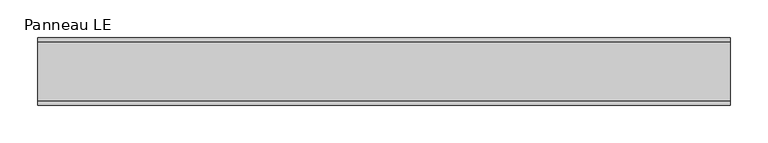
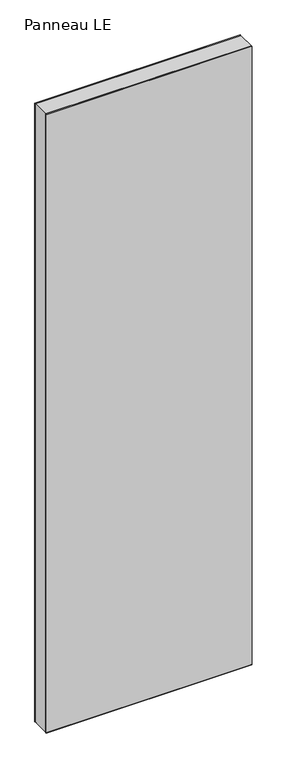
"""IFC4 building model written with IfcOpenShell, lengths in millimetres: plate geometry, Panneau LE."""

import ifcopenshell
import ifcopenshell.guid

model = None  # the IFC model being written
_history = None  # IfcOwnerHistory: only IFC2X3 demands one
_inside = {}  # id of a spatial element -> (the spatial element, [elements in it])
_under = {}  # id of a project, library or spatial element -> (it, [spatial elements below it])
_declared = {}  # id of a project -> (the project, [libraries it declares])
_typed = {}  # id of a type object -> (the type object, [elements of that type])
_made_of = {}  # id of a material, layer set ... -> (it, [elements and type objects made of it])


def new_model(schema):
    """Start an empty IFC model of exactly this schema.

    Asked for "IFC4X3", IfcOpenShell would pick the latest addendum, in which some entities
    have other attributes; the version numbers below select the first issue.
    IFC2X3 requires an IfcOwnerHistory on every rooted entity: one is made here for all.
    """
    global model, _history
    if schema == "IFC4X3":
        model = ifcopenshell.file(schema_version=(4, 3, 0, 0))
    else:
        model = ifcopenshell.file(schema=schema)
    _inside.clear()
    _under.clear()
    _declared.clear()
    _typed.clear()
    _made_of.clear()
    _history = None
    if model.schema == "IFC2X3":
        org = make("IfcOrganization", Name="unknown")
        user = make(
            "IfcPersonAndOrganization",
            ThePerson=make("IfcPerson", FamilyName="unknown"),
            TheOrganization=org,
        )
        app = make(
            "IfcApplication",
            ApplicationDeveloper=org,
            Version="unknown",
            ApplicationFullName="unknown",
            ApplicationIdentifier="unknown",
        )
        _history = make(
            "IfcOwnerHistory",
            OwningUser=user,
            OwningApplication=app,
            ChangeAction="ADDED",
            CreationDate=0,
        )
    return model


def make(cls, **values):
    """One entity of the class cls with the attributes given. An attribute that is None is left unset."""
    return model.create_entity(
        cls, **{name: value for name, value in values.items() if value is not None}
    )


def rooted(cls, **values):
    """An entity with a GlobalId (a new one), such as an element, a storey or a relation."""
    return make(cls, GlobalId=ifcopenshell.guid.new(), OwnerHistory=_history, **values)


def si_unit(unit_type, name, prefix=None):
    """IfcSIUnit, for example si_unit("LENGTHUNIT", "METRE", prefix="MILLI")."""
    return make("IfcSIUnit", UnitType=unit_type, Prefix=prefix, Name=name)


def assignment(units):
    """IfcUnitAssignment: the units of a project."""
    return None if units is None else make("IfcUnitAssignment", Units=units)


def point(xyz):
    """IfcCartesianPoint."""
    return None if xyz is None else make("IfcCartesianPoint", Coordinates=xyz)


def direction(xyz):
    """IfcDirection."""
    return None if xyz is None else make("IfcDirection", DirectionRatios=xyz)


def frame(location, z_axis=None, x_axis=None):
    """IfcAxis2Placement3D, a coordinate frame: its origin and axes. An axis left out is left unset."""
    return make(
        "IfcAxis2Placement3D",
        Location=point(location),
        Axis=direction(z_axis),
        RefDirection=direction(x_axis),
    )


def origin():
    """The frame at (0, 0, 0) with its axes left unset."""
    return frame((0.0, 0.0, 0.0))


def origin_with_axes():
    """The frame at (0, 0, 0) with the z axis (0, 0, 1) and the x axis (1, 0, 0) written out."""
    return frame((0.0, 0.0, 0.0), z_axis=(0.0, 0.0, 1.0), x_axis=(1.0, 0.0, 0.0))


def place(relative_to, where):
    """IfcLocalPlacement: puts the frame where relative to a parent placement (None: the world)."""
    return make(
        "IfcLocalPlacement", PlacementRelTo=relative_to, RelativePlacement=where
    )


def context(
    kind, dimensions, precision=None, world=None, true_north=None, identifier=None
):
    """IfcGeometricRepresentationContext, for example the 3D "Model" context."""
    return make(
        "IfcGeometricRepresentationContext",
        ContextIdentifier=identifier,
        ContextType=kind,
        CoordinateSpaceDimension=dimensions,
        Precision=precision,
        WorldCoordinateSystem=world,
        TrueNorth=true_north,
    )


def project(units=None, contexts=None):
    """IfcProject with its units and contexts."""
    return rooted(
        "IfcProject",
        Name="project",
        RepresentationContexts=contexts,
        UnitsInContext=assignment(units),
    )


def spatial(cls, under=None, at=None, **own):
    """A site, building, storey or space (cls), placed at a placement, below another one or the project."""
    s = rooted(cls, ObjectPlacement=at, **own)
    if under is not None:
        _under.setdefault(under.id(), (under, []))[1].append(s)
    return s


def polyline(points):
    """IfcPolyline through the points."""
    return make("IfcPolyline", Points=[point(p) for p in points])


def outline(outer, holes=None, kind="AREA"):
    """IfcArbitraryClosedProfileDef: a profile drawn as a closed curve; with holes, ...WithVoids."""
    if holes is None:
        return make("IfcArbitraryClosedProfileDef", ProfileType=kind, OuterCurve=outer)
    return make(
        "IfcArbitraryProfileDefWithVoids",
        ProfileType=kind,
        OuterCurve=outer,
        InnerCurves=holes,
    )


def extrude(swept, where, along, depth):
    """IfcExtrudedAreaSolid: the profile swept, set in the frame where, extruded along a direction by depth."""
    return make(
        "IfcExtrudedAreaSolid",
        SweptArea=swept,
        Position=where,
        ExtrudedDirection=direction(along),
        Depth=depth,
    )


def shape(context_of_items, identifier, shape_type, items):
    """IfcShapeRepresentation: the items that make up one representation, for example the "Body"."""
    return make(
        "IfcShapeRepresentation",
        ContextOfItems=context_of_items,
        RepresentationIdentifier=identifier,
        RepresentationType=shape_type,
        Items=items,
    )


def source(mapping_origin, context_of_items, identifier, shape_type, items):
    """IfcRepresentationMap: a shape defined once, which mapped items show again and again."""
    return make(
        "IfcRepresentationMap",
        MappingOrigin=mapping_origin,
        MappedRepresentation=shape(context_of_items, identifier, shape_type, items),
    )


def transform(
    local_origin,
    x_axis=None,
    y_axis=None,
    z_axis=None,
    scale=None,
    scale2=None,
    scale3=None,
    uniform=True,
):
    """IfcCartesianTransformationOperator3D, or its non-uniform kind. x_axis, y_axis, z_axis: its Axis1, 2, 3."""
    if uniform:
        return make(
            "IfcCartesianTransformationOperator3D",
            Axis1=direction(x_axis),
            Axis2=direction(y_axis),
            LocalOrigin=point(local_origin),
            Scale=scale,
            Axis3=direction(z_axis),
        )
    return make(
        "IfcCartesianTransformationOperator3DnonUniform",
        Axis1=direction(x_axis),
        Axis2=direction(y_axis),
        LocalOrigin=point(local_origin),
        Scale=scale,
        Axis3=direction(z_axis),
        Scale2=scale2,
        Scale3=scale3,
    )


def mapped(mapping_source, mapping_target):
    """IfcMappedItem: shows the shape of a source again, moved by a transform."""
    return make(
        "IfcMappedItem", MappingSource=mapping_source, MappingTarget=mapping_target
    )


def made_of(thing, what):
    """Note that an element or type object is made of a material, layer set ...; save() writes the relation."""
    if what is not None:
        _made_of.setdefault(what.id(), (what, []))[1].append(thing)
    return thing


def element(
    cls,
    number,
    at=None,
    inside=None,
    cuts=None,
    type_object=None,
    material=None,
    context=None,
    identifier="Body",
    shape_type=None,
    held_by="IfcProductDefinitionShape",
    body=None,
    shapes=None,
    **own,
):
    """One element of the class cls, such as IfcWall. Its Tag is "e" and its number.

    at: its placement. inside: the storey or other place that contains it. cuts: it is an
    opening in that element (IfcRelVoidsElement). A single representation is given by context,
    identifier, shape_type and body (its items); several are given by shapes. held_by: the class
    of the entity that holds the representations. save() writes the other relations.
    """
    e = rooted(cls, Tag="e%d" % number, ObjectPlacement=at, **own)
    if body is not None:
        shapes = [shape(context, identifier, shape_type, body)]
    if shapes is not None:
        e.Representation = make(held_by, Representations=shapes)
    if inside is not None:
        _inside.setdefault(inside.id(), (inside, []))[1].append(e)
    if cuts is not None:
        rooted(
            "IfcRelVoidsElement", RelatingBuildingElement=cuts, RelatedOpeningElement=e
        )
    if type_object is not None:
        _typed.setdefault(type_object.id(), (type_object, []))[1].append(e)
    return made_of(e, material)


def aggregate(whole, parts):
    """IfcRelAggregates: a whole, such as a stair, and the parts it consists of."""
    return rooted("IfcRelAggregates", RelatingObject=whole, RelatedObjects=parts)


def save(model, path):
    """Write the relations noted so far, then the file.

    IfcRelAggregates (storeys below a building ...), IfcRelContainedInSpatialStructure (elements
    in a storey), IfcRelDefinesByType, IfcRelAssociatesMaterial and IfcRelDeclares: one each for
    every whole, place, type object, material and project.
    """
    for whole, parts in _under.values():
        aggregate(whole, parts)
    for where, things in _inside.values():
        rooted(
            "IfcRelContainedInSpatialStructure",
            RelatedElements=things,
            RelatingStructure=where,
        )
    for kind, things in _typed.values():
        rooted("IfcRelDefinesByType", RelatedObjects=things, RelatingType=kind)
    for what, things in _made_of.values():
        rooted("IfcRelAssociatesMaterial", RelatedObjects=things, RelatingMaterial=what)
    for by, libraries in _declared.values():
        rooted("IfcRelDeclares", RelatingContext=by, RelatedDefinitions=libraries)
    model.write(path)


def panneau_le_9fb11bf7(model_context):
    return source(origin(), model_context, "Body", "SweptSolid", [
        extrude(outline(polyline([(2933.0, 461.7520246), (2933.0, -461.7520246), (0.0, -461.7520246), (0.0, 461.7520246), (2933.0, 461.7520246)]), holes=[polyline([(60.0, -421.7520246), (2873.0, -421.7520246), (2873.0, 421.7520246), (60.0, 421.7520246), (60.0, -421.7520246)])]), frame((0.0, -39.0, 0.0), z_axis=(0.0, 1.0, 0.0), x_axis=(0.0, 0.0, 1.0)), (0.0, 0.0, 1.0), 78.0),
        extrude(outline(polyline([(-461.7520246, 35.0), (-461.7520246, 45.0), (461.7520246, 45.0), (461.7520246, 35.0), (-461.7520246, 35.0)])), frame((0.0, 0.0, -1.5), z_axis=(0.0, 0.0, 1.0), x_axis=(1.0, 0.0, 0.0)), (0.0, 0.0, 1.0), 1.5),
        extrude(outline(polyline([(-461.7520246, -45.0), (-461.7520246, -35.0), (461.7520246, -35.0), (461.7520246, -45.0), (-461.7520246, -45.0)])), frame((0.0, 0.0, -1.5), z_axis=(0.0, 0.0, 1.0), x_axis=(1.0, 0.0, 0.0)), (0.0, 0.0, 1.0), 1.5),
        extrude(outline(polyline([(461.7520246, 39.0), (-461.7520246, 39.0), (-461.7520246, 45.0), (461.7520246, 45.0), (461.7520246, 39.0)])), origin_with_axes(), (0.0, 0.0, 1.0), 2933.0),
        extrude(outline(polyline([(-461.7520246, -45.0), (-461.7520246, -39.0), (461.7520246, -39.0), (461.7520246, -45.0), (-461.7520246, -45.0)])), origin_with_axes(), (0.0, 0.0, 1.0), 2933.0),
    ])


if __name__ == "__main__":
    model = new_model("IFC4")
    model_context = context("Model", 3, world=origin())
    ifc_project = project(units=[si_unit("LENGTHUNIT", "METRE", prefix="MILLI")], contexts=[model_context])
    site = spatial("IfcSite", under=ifc_project)
    building = spatial("IfcBuilding", under=site)
    placement = place(None, origin())
    panneau_le_shape = panneau_le_9fb11bf7(model_context)
    element("IfcPlate", 1, ObjectType="Panneau LE", at=placement, inside=building, context=model_context, shape_type="MappedRepresentation", body=[
        mapped(panneau_le_shape, transform((0.0, 0.0, 0.0), x_axis=(1.0, 0.0, 0.0), y_axis=(0.0, 1.0, 0.0), z_axis=(0.0, 0.0, 1.0))),
    ])
    save(model, "model.ifc")
